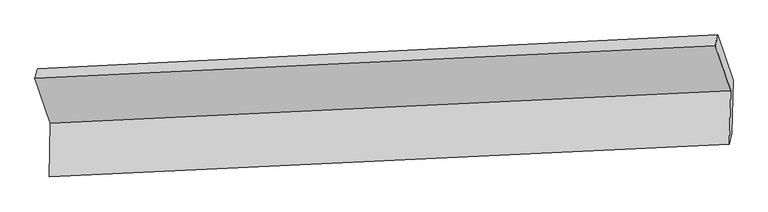
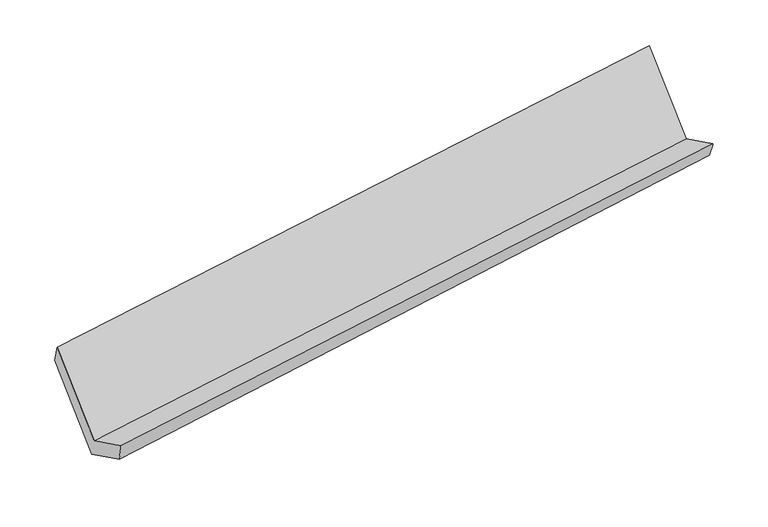
"""IFC4 building model written with IfcOpenShell, lengths in millimetres: proxy geometry."""

from ifc_helpers import new_model, si_unit, frame, origin, place, context, project, spatial, source, transform, mapped, element, save
from ifc_brep_helpers import plane_surface, spline_surface, advanced_brep


def generic_models_9b613b0f(model_context):
    return source(origin(), model_context, "Body", "AdvancedBrep", [
        advanced_brep(
        [(-5058.5533555, -1625.420191, 1422.2262866), (-5066.1164505, -1977.243416, 1600.0942795), (-616.2381473, -1763.7018325, 2244.9447895), (-608.6750523, -1411.8786074, 2067.0767966), (-5047.9492907, -1924.8440162, 1457.2270143), (-600.071005, -1691.1907425, 2108.521114), (-5040.2086132, -1564.7599318, 1275.1826557), (-592.6180422, -1344.4906958, 1933.2431987), (-5140.9711846, -1268.442229, 1857.0151217), (-693.3806137, -1048.172993, 2515.0756647), (-5158.6638552, -1331.0200693, 2000.2935002), (-708.785552, -1117.4784857, 2645.1440102)],
        [
            (0, 1),
            (1, 2),
            (2, 3),
            (3, 0),
            (1, 4),
            (4, 5),
            (5, 2),
            (4, 6),
            (6, 7),
            (7, 5),
            (6, 8),
            (8, 9),
            (9, 7),
            (8, 10),
            (10, 11),
            (11, 9),
            (10, 0),
            (3, 11),
        ],
        [
            plane_surface(frame((-5062.334903, -1801.3318035, 1511.160283), z_axis=(-0.14922194645305853, 0.44868064612945213, 0.8811461220964534), x_axis=(-0.019180986573327383, -0.8922691787952571, 0.4510962229127077))),
            spline_surface(1, 1, [[(-5066.1164505, -1977.243416, 1600.0942795), (-616.2381473, -1763.7018325, 2244.9447895)], [(-5047.9492907, -1924.8440162, 1457.2270143), (-600.071005, -1691.1907425, 2108.521114)]], [2, 2], [2, 2], [0.0, 1.0], [0.0, 1.0]),
            plane_surface(frame((-5044.0789519, -1744.801974, 1366.204835), z_axis=(0.15251548348067315, -0.44851016667850696, -0.8806688694876609), x_axis=(0.019180986573327355, 0.8922691787952572, -0.45109622291270757))),
            plane_surface(frame((-5090.5898989, -1416.6010804, 1566.0988887), z_axis=(0.02247357032330277, 0.8924371944474765, -0.4506115761979947), x_axis=(-0.15251548348067107, 0.4485101666785067, 0.8806688694876613))),
            spline_surface(1, 1, [[(-5140.9711846, -1268.442229, 1857.0151217), (-693.3806137, -1048.172993, 2515.0756647)], [(-5158.6638552, -1331.0200693, 2000.2935002), (-708.785552, -1117.4784857, 2645.1440102)]], [2, 2], [2, 2], [0.0, 1.0], [0.0, 1.0]),
            plane_surface(frame((-5108.6086053, -1478.2201301, 1711.2598934), z_axis=(-0.022473570323302265, -0.8924371944474776, 0.4506115761979922), x_axis=(0.15251548348067065, -0.44851016667850424, -0.8806688694876627))),
            plane_surface(frame((-636.6280688, -1396.1522261, 2252.3342623), z_axis=(0.9881149310949264, 0.05190706077264689, 0.1446877326839202), x_axis=(-0.10395855435162742, -0.4677005962004496, 0.8777521126667048))),
            plane_surface(frame((-5085.4104583, -1615.2883089, 1602.0064763), z_axis=(-0.9881149310949281, -0.051907060772660704, -0.14468773268390545), x_axis=(-0.1525154834806639, 0.44851016667849436, 0.8806688694876689))),
        ],
        [
            (0, [[1, 2, 3, 4]]),
            (1, [[5, 6, 7, -2]]),
            (2, [[8, 9, 10, -6]]),
            (3, [[11, 12, 13, -9]]),
            (4, [[14, 15, 16, -12]]),
            (5, [[17, -4, 18, -15]]),
            (6, [[-16, -18, -3, -7, -10, -13]]),
            (7, [[-17, -14, -11, -8, -5, -1]]),
        ],
    ),
    ])


if __name__ == "__main__":
    model = new_model("IFC4")
    model_context = context("Model", 3, world=origin())
    ifc_project = project(units=[si_unit("LENGTHUNIT", "METRE", prefix="MILLI")], contexts=[model_context])
    site = spatial("IfcSite", under=ifc_project)
    building = spatial("IfcBuilding", under=site)
    placement = place(None, origin())
    generic_models_shape = generic_models_9b613b0f(model_context)
    element("IfcBuildingElementProxy", 1, Name="Generic Models", at=placement, inside=building, context=model_context, shape_type="MappedRepresentation", body=[
        mapped(generic_models_shape, transform((0.0, 0.0, 0.0), x_axis=(1.0, 0.0, 0.0), y_axis=(0.0, 1.0, 0.0), z_axis=(0.0, 0.0, 1.0))),
    ])
    save(model, "model.ifc")
